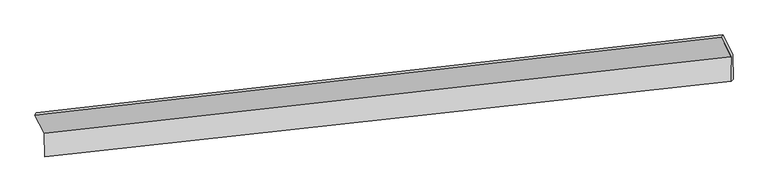
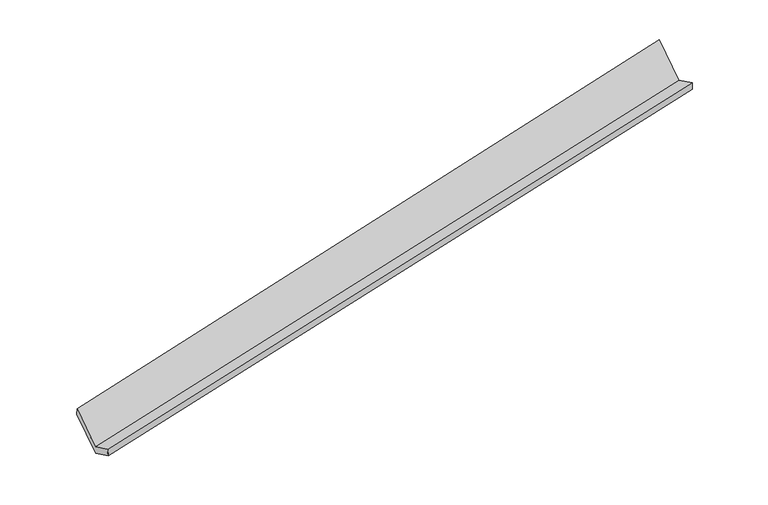
"""IFC4 building model written with IfcOpenShell, lengths in millimetres: proxy geometry."""

from ifc_helpers import new_model, si_unit, frame, origin, place, context, project, spatial, source, transform, mapped, element, save
from ifc_brep_helpers import plane_surface, spline_surface, advanced_brep


def generic_models_624e6f7d(model_context):
    return source(origin(), model_context, "Body", "AdvancedBrep", [
        advanced_brep(
        [(-8499.746033, -2130.7281671, 576.4447534), (-8496.1462616, -2515.6166966, 768.8858128), (2859.6137362, -1271.9734739, 3088.5181936), (2855.7630117, -860.2529782, 2882.6613746), (-8468.299067, -2484.1977335, 614.7116469), (2887.3772798, -1231.610522, 2929.8721078), (-8471.9492314, -2093.9211711, 419.576616), (2883.5598134, -823.4459822, 2725.7932371), (-8632.0121644, -1785.7654854, 1038.8923644), (2716.7338729, -502.2700478, 3371.2764243), (-8655.6817422, -1830.518278, 1179.7914408), (2688.5556235, -538.3426745, 3529.6204599)],
        [
            (0, 1),
            (1, 2),
            (2, 3),
            (3, 0),
            (1, 4),
            (4, 5),
            (5, 2),
            (4, 6),
            (6, 7),
            (7, 5),
            (6, 8),
            (8, 9),
            (9, 7),
            (8, 10),
            (10, 11),
            (11, 9),
            (10, 0),
            (3, 11),
        ],
        [
            plane_surface(frame((-8497.9461473, -2323.1724318, 672.6652831), z_axis=(-0.22569068885875537, 0.4339797424127003, 0.872195675372142), x_axis=(0.008365101176054263, -0.8943988761144518, 0.4471919895162704))),
            spline_surface(1, 1, [[(-8496.1462616, -2515.6166966, 768.8858128), (2859.6137362, -1271.9734739, 3088.5181936)], [(-8468.299067, -2484.1977335, 614.7116469), (2887.3772798, -1231.610522, 2929.8721078)]], [2, 2], [2, 2], [0.0, 1.0], [0.0, 1.0]),
            plane_surface(frame((-8470.1241492, -2289.0594523, 517.1441315), z_axis=(0.2256906888587572, -0.4339797424128169, -0.8721956753720836), x_axis=(-0.008365101176212806, 0.8943988761143743, -0.44719198951642236))),
            plane_surface(frame((-8551.9806979, -1939.8433283, 729.2344902), z_axis=(-0.009200854926706512, 0.8943058038819631, -0.44736168075915195), x_axis=(-0.22543358109156916, 0.43400828939701364, 0.8722479608751796))),
            spline_surface(1, 1, [[(-8632.0121644, -1785.7654854, 1038.8923644), (2716.7338729, -502.2700478, 3371.2764243)], [(-8655.6817422, -1830.518278, 1179.7914408), (2688.5556235, -538.3426745, 3529.6204599)]], [2, 2], [2, 2], [0.0, 1.0], [0.0, 1.0]),
            plane_surface(frame((-8577.7138876, -1980.6232225, 878.1180971), z_axis=(0.009200854926727217, -0.8943058038820039, 0.4473616807590703), x_axis=(0.22543358109155948, -0.4340082893969309, -0.8722479608752234))),
            plane_surface(frame((2815.2672229, -871.3159464, 3087.9569662), z_axis=(0.9742226263018868, 0.10810853407567401, 0.19799701831457847), x_axis=(-0.17095606806627367, -0.2188508717167272, 0.9606655602966875))),
            plane_surface(frame((-8537.3057499, -2140.1245886, 766.3837724), z_axis=(-0.974222626301885, -0.10810853407563091, -0.19799701831460984), x_axis=(-0.22543358109156827, 0.43400828939692787, 0.8722479608752226))),
        ],
        [
            (0, [[1, 2, 3, 4]]),
            (1, [[5, 6, 7, -2]]),
            (2, [[8, 9, 10, -6]]),
            (3, [[11, 12, 13, -9]]),
            (4, [[14, 15, 16, -12]]),
            (5, [[17, -4, 18, -15]]),
            (6, [[-16, -18, -3, -7, -10, -13]]),
            (7, [[-17, -14, -11, -8, -5, -1]]),
        ],
    ),
    ])


if __name__ == "__main__":
    model = new_model("IFC4")
    model_context = context("Model", 3, world=origin())
    ifc_project = project(units=[si_unit("LENGTHUNIT", "METRE", prefix="MILLI")], contexts=[model_context])
    site = spatial("IfcSite", under=ifc_project)
    building = spatial("IfcBuilding", under=site)
    placement = place(None, origin())
    generic_models_shape = generic_models_624e6f7d(model_context)
    element("IfcBuildingElementProxy", 1, Name="Generic Models", at=placement, inside=building, context=model_context, shape_type="MappedRepresentation", body=[
        mapped(generic_models_shape, transform((0.0, 0.0, 0.0), x_axis=(1.0, 0.0, 0.0), y_axis=(0.0, 1.0, 0.0), z_axis=(0.0, 0.0, 1.0))),
    ])
    save(model, "model.ifc")
